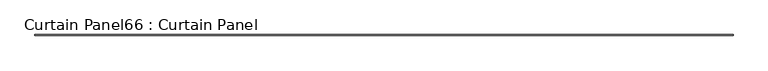
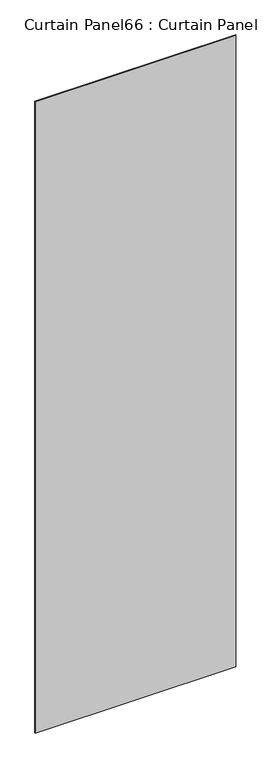
"""IFC4 building model written with IfcOpenShell, lengths in millimetres: plate geometry, Curtain Panel66 : Curtain Panel."""

from ifc_helpers import new_model, si_unit, frame, origin, place, context, project, spatial, polyline, outline, extrude, source, transform, mapped, element, save


def curtain_panel66_curtain_panel_61c74fff(model_context):
    return source(origin(), model_context, "Body", "SweptSolid", [
        extrude(outline(polyline([(114517.2009962, 7685.1815129), (109792.3260598, 7685.1815129), (109792.3260598, 7691.5315129), (114517.2009962, 7691.5315129), (114517.2009962, 7685.1815129)])), frame((0.0, 0.0, 1433.7679301), z_axis=(0.0, 0.0, 1.0), x_axis=(1.0, 0.0, 0.0)), (0.0, 0.0, 1.0), 15711.5380959),
    ])


if __name__ == "__main__":
    model = new_model("IFC4")
    model_context = context("Model", 3, world=origin())
    ifc_project = project(units=[si_unit("LENGTHUNIT", "METRE", prefix="MILLI")], contexts=[model_context])
    site = spatial("IfcSite", under=ifc_project)
    building = spatial("IfcBuilding", under=site)
    placement = place(None, origin())
    curtain_panel66_curtain_panel_shape = curtain_panel66_curtain_panel_61c74fff(model_context)
    element("IfcPlate", 1, ObjectType="Curtain Panel66 : Curtain Panel", at=placement, inside=building, context=model_context, shape_type="MappedRepresentation", body=[
        mapped(curtain_panel66_curtain_panel_shape, transform((0.0, 0.0, 0.0), x_axis=(1.0, 0.0, 0.0), y_axis=(0.0, 1.0, 0.0), z_axis=(0.0, 0.0, 1.0))),
    ])
    save(model, "model.ifc")
